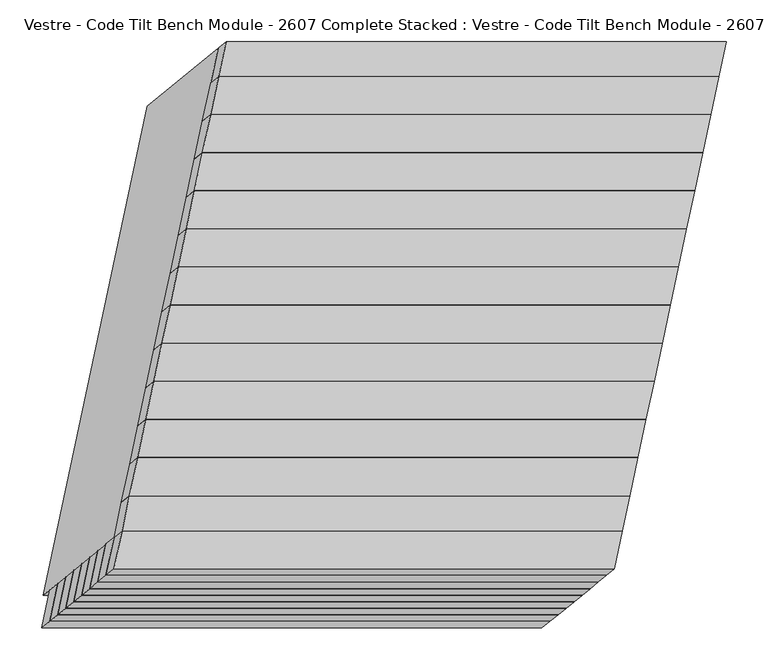
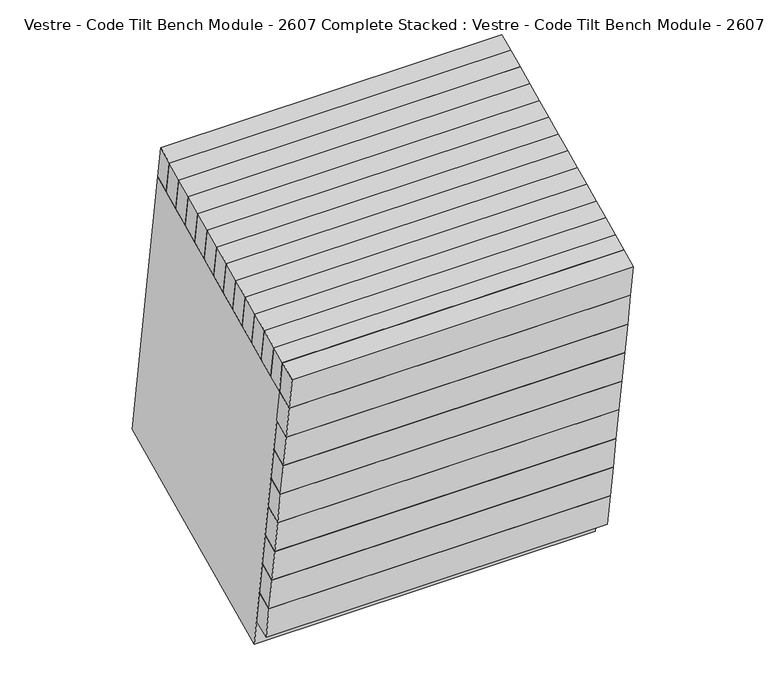
"""IFC4 building model written with IfcOpenShell, lengths in millimetres: furniture geometry, Vestre - Code Tilt Bench Module - 2607 Complete Stacked : Vestre - Code Tilt Bench Module - 2607 Complete Stacked."""

import ifcopenshell
import ifcopenshell.guid

model = None  # the IFC model being written
_history = None  # IfcOwnerHistory: only IFC2X3 demands one
_inside = {}  # id of a spatial element -> (the spatial element, [elements in it])
_under = {}  # id of a project, library or spatial element -> (it, [spatial elements below it])
_declared = {}  # id of a project -> (the project, [libraries it declares])
_typed = {}  # id of a type object -> (the type object, [elements of that type])
_made_of = {}  # id of a material, layer set ... -> (it, [elements and type objects made of it])


def new_model(schema):
    """Start an empty IFC model of exactly this schema.

    Asked for "IFC4X3", IfcOpenShell would pick the latest addendum, in which some entities
    have other attributes; the version numbers below select the first issue.
    IFC2X3 requires an IfcOwnerHistory on every rooted entity: one is made here for all.
    """
    global model, _history
    if schema == "IFC4X3":
        model = ifcopenshell.file(schema_version=(4, 3, 0, 0))
    else:
        model = ifcopenshell.file(schema=schema)
    _inside.clear()
    _under.clear()
    _declared.clear()
    _typed.clear()
    _made_of.clear()
    _history = None
    if model.schema == "IFC2X3":
        org = make("IfcOrganization", Name="unknown")
        user = make(
            "IfcPersonAndOrganization",
            ThePerson=make("IfcPerson", FamilyName="unknown"),
            TheOrganization=org,
        )
        app = make(
            "IfcApplication",
            ApplicationDeveloper=org,
            Version="unknown",
            ApplicationFullName="unknown",
            ApplicationIdentifier="unknown",
        )
        _history = make(
            "IfcOwnerHistory",
            OwningUser=user,
            OwningApplication=app,
            ChangeAction="ADDED",
            CreationDate=0,
        )
    return model


def make(cls, **values):
    """One entity of the class cls with the attributes given. An attribute that is None is left unset."""
    return model.create_entity(
        cls, **{name: value for name, value in values.items() if value is not None}
    )


def rooted(cls, **values):
    """An entity with a GlobalId (a new one), such as an element, a storey or a relation."""
    return make(cls, GlobalId=ifcopenshell.guid.new(), OwnerHistory=_history, **values)


def si_unit(unit_type, name, prefix=None):
    """IfcSIUnit, for example si_unit("LENGTHUNIT", "METRE", prefix="MILLI")."""
    return make("IfcSIUnit", UnitType=unit_type, Prefix=prefix, Name=name)


def assignment(units):
    """IfcUnitAssignment: the units of a project."""
    return None if units is None else make("IfcUnitAssignment", Units=units)


def point(xyz):
    """IfcCartesianPoint."""
    return None if xyz is None else make("IfcCartesianPoint", Coordinates=xyz)


def direction(xyz):
    """IfcDirection."""
    return None if xyz is None else make("IfcDirection", DirectionRatios=xyz)


def frame(location, z_axis=None, x_axis=None):
    """IfcAxis2Placement3D, a coordinate frame: its origin and axes. An axis left out is left unset."""
    return make(
        "IfcAxis2Placement3D",
        Location=point(location),
        Axis=direction(z_axis),
        RefDirection=direction(x_axis),
    )


def origin():
    """The frame at (0, 0, 0) with its axes left unset."""
    return frame((0.0, 0.0, 0.0))


def place(relative_to, where):
    """IfcLocalPlacement: puts the frame where relative to a parent placement (None: the world)."""
    return make(
        "IfcLocalPlacement", PlacementRelTo=relative_to, RelativePlacement=where
    )


def context(
    kind, dimensions, precision=None, world=None, true_north=None, identifier=None
):
    """IfcGeometricRepresentationContext, for example the 3D "Model" context."""
    return make(
        "IfcGeometricRepresentationContext",
        ContextIdentifier=identifier,
        ContextType=kind,
        CoordinateSpaceDimension=dimensions,
        Precision=precision,
        WorldCoordinateSystem=world,
        TrueNorth=true_north,
    )


def project(units=None, contexts=None):
    """IfcProject with its units and contexts."""
    return rooted(
        "IfcProject",
        Name="project",
        RepresentationContexts=contexts,
        UnitsInContext=assignment(units),
    )


def spatial(cls, under=None, at=None, **own):
    """A site, building, storey or space (cls), placed at a placement, below another one or the project."""
    s = rooted(cls, ObjectPlacement=at, **own)
    if under is not None:
        _under.setdefault(under.id(), (under, []))[1].append(s)
    return s


def faces_of(points, faces, orient=None, outer=None):
    """IfcFace entities. A face is a list of loops; a loop is a list of indices into points, from 0.

    orient and outer hold one flag for each loop. By default every Orientation is true, the
    first loop of a face is its IfcFaceOuterBound and the others are IfcFaceBound.
    """
    made = []
    for i, loops in enumerate(faces):
        bounds = []
        for j, loop in enumerate(loops):
            is_outer = j == 0 if outer is None else outer[i][j]
            bounds.append(
                make(
                    "IfcFaceOuterBound" if is_outer else "IfcFaceBound",
                    Bound=make("IfcPolyLoop", Polygon=[points[k] for k in loop]),
                    Orientation=True if orient is None else orient[i][j],
                )
            )
        made.append(make("IfcFace", Bounds=bounds))
    return made


def faceted_brep(points, faces, orient=None, outer=None, voids=None):
    """IfcFacetedBrep: a solid bounded by flat faces; with voids (closed shells), ...WithVoids."""
    shared = [point(p) for p in points]
    hull = make("IfcClosedShell", CfsFaces=faces_of(shared, faces, orient, outer))
    if voids is None:
        return make("IfcFacetedBrep", Outer=hull)
    return make(
        "IfcFacetedBrepWithVoids",
        Outer=hull,
        Voids=[
            make(cls, CfsFaces=faces_of(shared, fs, o, b)) for cls, fs, o, b in voids
        ],
    )


def shape(context_of_items, identifier, shape_type, items):
    """IfcShapeRepresentation: the items that make up one representation, for example the "Body"."""
    return make(
        "IfcShapeRepresentation",
        ContextOfItems=context_of_items,
        RepresentationIdentifier=identifier,
        RepresentationType=shape_type,
        Items=items,
    )


def source(mapping_origin, context_of_items, identifier, shape_type, items):
    """IfcRepresentationMap: a shape defined once, which mapped items show again and again."""
    return make(
        "IfcRepresentationMap",
        MappingOrigin=mapping_origin,
        MappedRepresentation=shape(context_of_items, identifier, shape_type, items),
    )


def transform(
    local_origin,
    x_axis=None,
    y_axis=None,
    z_axis=None,
    scale=None,
    scale2=None,
    scale3=None,
    uniform=True,
):
    """IfcCartesianTransformationOperator3D, or its non-uniform kind. x_axis, y_axis, z_axis: its Axis1, 2, 3."""
    if uniform:
        return make(
            "IfcCartesianTransformationOperator3D",
            Axis1=direction(x_axis),
            Axis2=direction(y_axis),
            LocalOrigin=point(local_origin),
            Scale=scale,
            Axis3=direction(z_axis),
        )
    return make(
        "IfcCartesianTransformationOperator3DnonUniform",
        Axis1=direction(x_axis),
        Axis2=direction(y_axis),
        LocalOrigin=point(local_origin),
        Scale=scale,
        Axis3=direction(z_axis),
        Scale2=scale2,
        Scale3=scale3,
    )


def mapped(mapping_source, mapping_target):
    """IfcMappedItem: shows the shape of a source again, moved by a transform."""
    return make(
        "IfcMappedItem", MappingSource=mapping_source, MappingTarget=mapping_target
    )


def made_of(thing, what):
    """Note that an element or type object is made of a material, layer set ...; save() writes the relation."""
    if what is not None:
        _made_of.setdefault(what.id(), (what, []))[1].append(thing)
    return thing


def element(
    cls,
    number,
    at=None,
    inside=None,
    cuts=None,
    type_object=None,
    material=None,
    context=None,
    identifier="Body",
    shape_type=None,
    held_by="IfcProductDefinitionShape",
    body=None,
    shapes=None,
    **own,
):
    """One element of the class cls, such as IfcWall. Its Tag is "e" and its number.

    at: its placement. inside: the storey or other place that contains it. cuts: it is an
    opening in that element (IfcRelVoidsElement). A single representation is given by context,
    identifier, shape_type and body (its items); several are given by shapes. held_by: the class
    of the entity that holds the representations. save() writes the other relations.
    """
    e = rooted(cls, Tag="e%d" % number, ObjectPlacement=at, **own)
    if body is not None:
        shapes = [shape(context, identifier, shape_type, body)]
    if shapes is not None:
        e.Representation = make(held_by, Representations=shapes)
    if inside is not None:
        _inside.setdefault(inside.id(), (inside, []))[1].append(e)
    if cuts is not None:
        rooted(
            "IfcRelVoidsElement", RelatingBuildingElement=cuts, RelatedOpeningElement=e
        )
    if type_object is not None:
        _typed.setdefault(type_object.id(), (type_object, []))[1].append(e)
    return made_of(e, material)


def aggregate(whole, parts):
    """IfcRelAggregates: a whole, such as a stair, and the parts it consists of."""
    return rooted("IfcRelAggregates", RelatingObject=whole, RelatedObjects=parts)


def save(model, path):
    """Write the relations noted so far, then the file.

    IfcRelAggregates (storeys below a building ...), IfcRelContainedInSpatialStructure (elements
    in a storey), IfcRelDefinesByType, IfcRelAssociatesMaterial and IfcRelDeclares: one each for
    every whole, place, type object, material and project.
    """
    for whole, parts in _under.values():
        aggregate(whole, parts)
    for where, things in _inside.values():
        rooted(
            "IfcRelContainedInSpatialStructure",
            RelatedElements=things,
            RelatingStructure=where,
        )
    for kind, things in _typed.values():
        rooted("IfcRelDefinesByType", RelatedObjects=things, RelatingType=kind)
    for what, things in _made_of.values():
        rooted("IfcRelAssociatesMaterial", RelatedObjects=things, RelatingMaterial=what)
    for by, libraries in _declared.values():
        rooted("IfcRelDeclares", RelatingContext=by, RelatedDefinitions=libraries)
    model.write(path)


def vestre_code_tilt_bench_module_2607_complete_stacked_vestre_59034a0b(model_context):
    return source(origin(), model_context, "Body", "Brep", [
        faceted_brep([(215.751229, -200.279193, 817.7590999), (225.5082596, -154.3759734, 817.7590999), (-374.4917404, -154.3759734, 817.7590999), (-384.248771, -200.279193, 817.7590999), (206.1097925, -208.1539076, 772.6919126), (-393.8902075, -208.1539076, 772.6919126), (-384.133177, -162.2506881, 772.6919126), (215.866823, -162.2506881, 772.6919126)], [[[0, 1, 2, 3]], [[4, 5, 6, 7]], [[5, 4, 0, 3]], [[6, 5, 3, 2]], [[7, 6, 2, 1]], [[4, 7, 1, 0]]]),
        faceted_brep([(244.0437897, -104.6578383, 862.9456861), (253.7680564, -58.9087607, 862.9456861), (-346.2319436, -58.9087607, 862.9456861), (-355.9562103, -104.6578383, 862.9456861), (234.3979186, -112.5534159, 817.7590999), (-365.6020814, -112.5534159, 817.7590999), (-355.8778148, -66.8043382, 817.7590999), (244.1221852, -66.8043382, 817.7590999)], [[[0, 1, 2, 3]], [[4, 5, 6, 7]], [[5, 4, 0, 3]], [[6, 5, 3, 2]], [[7, 6, 2, 1]], [[4, 7, 1, 0]]]),
        faceted_brep([(253.7680564, -58.9087607, 862.9456861), (263.492323, -13.159683, 862.9456861), (-336.507677, -13.159683, 862.9456861), (-346.2319436, -58.9087607, 862.9456861), (244.1221852, -66.8043382, 817.7590999), (-355.8778148, -66.8043382, 817.7590999), (-346.1535481, -21.0552605, 817.7590999), (253.8464519, -21.0552605, 817.7590999)], [[[0, 1, 2, 3]], [[4, 5, 6, 7]], [[5, 4, 0, 3]], [[6, 5, 3, 2]], [[7, 6, 2, 1]], [[4, 7, 1, 0]]]),
        faceted_brep([(263.492323, -13.159683, 862.9456861), (273.2165897, 32.5893947, 862.9456861), (-326.7834103, 32.5893947, 862.9456861), (-336.507677, -13.159683, 862.9456861), (253.8464519, -21.0552605, 817.7590999), (-346.1535481, -21.0552605, 817.7590999), (-336.4292815, 24.6938171, 817.7590999), (263.5707185, 24.6938171, 817.7590999)], [[[0, 1, 2, 3]], [[4, 5, 6, 7]], [[5, 4, 0, 3]], [[6, 5, 3, 2]], [[7, 6, 2, 1]], [[4, 7, 1, 0]]]),
        faceted_brep([(273.2165897, 32.5893947, 862.9456861), (282.9408563, 78.3384723, 862.9456861), (-317.0591437, 78.3384723, 862.9456861), (-326.7834103, 32.5893947, 862.9456861), (263.5707185, 24.6938171, 817.7590999), (-336.4292815, 24.6938171, 817.7590999), (-326.7050148, 70.4428948, 817.7590999), (273.2949852, 70.4428948, 817.7590999)], [[[0, 1, 2, 3]], [[4, 5, 6, 7]], [[5, 4, 0, 3]], [[6, 5, 3, 2]], [[7, 6, 2, 1]], [[4, 7, 1, 0]]]),
        faceted_brep([(282.9408563, 78.3384723, 862.9456861), (292.665123, 124.08755, 862.9456861), (-307.334877, 124.08755, 862.9456861), (-317.0591437, 78.3384723, 862.9456861), (273.2949852, 70.4428948, 817.7590999), (-326.7050148, 70.4428948, 817.7590999), (-316.9807482, 116.1919724, 817.7590999), (283.0192518, 116.1919724, 817.7590999)], [[[0, 1, 2, 3]], [[4, 5, 6, 7]], [[5, 4, 0, 3]], [[6, 5, 3, 2]], [[7, 6, 2, 1]], [[4, 7, 1, 0]]]),
        faceted_brep([(292.665123, 124.08755, 862.9456861), (302.3893896, 169.8366276, 862.9456861), (-297.6106104, 169.8366276, 862.9456861), (-307.334877, 124.08755, 862.9456861), (283.0192518, 116.1919724, 817.7590999), (-316.9807482, 116.1919724, 817.7590999), (-307.2564815, 161.9410501, 817.7590999), (292.7435185, 161.9410501, 817.7590999)], [[[0, 1, 2, 3]], [[4, 5, 6, 7]], [[5, 4, 0, 3]], [[6, 5, 3, 2]], [[7, 6, 2, 1]], [[4, 7, 1, 0]]]),
        faceted_brep([(302.3893896, 169.8366276, 862.9456861), (312.1136563, 215.5857053, 862.9456861), (-287.8863437, 215.5857053, 862.9456861), (-297.6106104, 169.8366276, 862.9456861), (292.7435185, 161.9410501, 817.7590999), (-307.2564815, 161.9410501, 817.7590999), (-297.5322149, 207.6901278, 817.7590999), (302.4677851, 207.6901278, 817.7590999)], [[[0, 1, 2, 3]], [[4, 5, 6, 7]], [[5, 4, 0, 3]], [[6, 5, 3, 2]], [[7, 6, 2, 1]], [[4, 7, 1, 0]]]),
        faceted_brep([(312.1136563, 215.5857053, 862.9456861), (321.8379229, 261.334783, 862.9456861), (-278.1620771, 261.334783, 862.9456861), (-287.8863437, 215.5857053, 862.9456861), (302.4677851, 207.6901278, 817.7590999), (-297.5322149, 207.6901278, 817.7590999), (-287.8079482, 253.4392054, 817.7590999), (312.1920518, 253.4392054, 817.7590999)], [[[0, 1, 2, 3]], [[4, 5, 6, 7]], [[5, 4, 0, 3]], [[6, 5, 3, 2]], [[7, 6, 2, 1]], [[4, 7, 1, 0]]]),
        faceted_brep([(321.8379229, 261.334783, 862.9456861), (331.5621895, 307.0838606, 862.9456861), (-268.4378105, 307.0838606, 862.9456861), (-278.1620771, 261.334783, 862.9456861), (312.1920518, 253.4392054, 817.7590999), (-287.8079482, 253.4392054, 817.7590999), (-278.0836816, 299.1882831, 817.7590999), (321.9163184, 299.1882831, 817.7590999)], [[[0, 1, 2, 3]], [[4, 5, 6, 7]], [[5, 4, 0, 3]], [[6, 5, 3, 2]], [[7, 6, 2, 1]], [[4, 7, 1, 0]]]),
        faceted_brep([(331.5621895, 307.0838606, 862.9456861), (341.2864562, 352.8329383, 862.9456861), (-258.7135438, 352.8329383, 862.9456861), (-268.4378105, 307.0838606, 862.9456861), (321.9163184, 299.1882831, 817.7590999), (-278.0836816, 299.1882831, 817.7590999), (-268.3594149, 344.9373608, 817.7590999), (331.6405851, 344.9373608, 817.7590999)], [[[0, 1, 2, 3]], [[4, 5, 6, 7]], [[5, 4, 0, 3]], [[6, 5, 3, 2]], [[7, 6, 2, 1]], [[4, 7, 1, 0]]]),
        faceted_brep([(341.2864562, 352.8329383, 862.9456861), (351.0107228, 398.5820159, 862.9456861), (-248.9892772, 398.5820159, 862.9456861), (-258.7135438, 352.8329383, 862.9456861), (331.6405851, 344.9373608, 817.7590999), (-268.3594149, 344.9373608, 817.7590999), (-258.6351483, 390.6864384, 817.7590999), (341.3648517, 390.6864384, 817.7590999)], [[[0, 1, 2, 3]], [[4, 5, 6, 7]], [[5, 4, 0, 3]], [[6, 5, 3, 2]], [[7, 6, 2, 1]], [[4, 7, 1, 0]]]),
        faceted_brep([(235.1533674, -146.4839869, 862.9456861), (244.0437897, -104.6578383, 862.9456861), (-355.9562103, -104.6578383, 862.9456861), (-364.8466326, -146.4839869, 862.9456861), (225.5082596, -154.3759734, 817.7590999), (-374.4917404, -154.3759734, 817.7590999), (-365.6020814, -112.5534159, 817.7590999), (234.3979186, -112.5534159, 817.7590999)], [[[0, 1, 2, 3]], [[4, 5, 6, 7]], [[5, 4, 0, 3]], [[6, 5, 3, 2]], [[7, 6, 2, 1]], [[4, 7, 1, 0]]]),
        faceted_brep([(-249.744726, 432.512587, 817.7590999), (-374.4917404, -154.3759734, 817.7590999), (225.5082596, -154.3759734, 817.7590999), (350.255274, 432.512587, 817.7590999), (-208.6618234, 381.7550373, 817.7590999), (287.594671, 381.7550373, 817.7590999), (181.9894462, -115.0784827, 817.7590999), (-314.2670481, -115.0784827, 817.7590999), (-334.6932278, 362.9784336, 419.8134138), (265.3067722, 362.9784336, 419.8134138), (140.5597577, -223.9101268, 419.8134138), (-459.4402423, -223.9101268, 419.8134138), (202.6461691, 312.2208839, 419.8134138), (-293.6103253, 312.2208839, 419.8134138), (-397.172905, -175.0027468, 419.8134138), (99.0835894, -175.0027468, 419.8134138), (-334.09591, -162.2506881, 772.6919126), (171.9626845, -162.2506881, 772.6919126), (100.3471348, -215.1734882, 469.8134138), (-405.7114596, -215.1734882, 469.8134138), (-212.211096, 378.8497987, 801.1323473), (284.0453984, 378.8497987, 801.1323473), (206.7306515, 315.5642157, 438.9473846), (-289.5258429, 315.5642157, 438.9473846), (178.5255183, -117.5822061, 801.1323473), (103.0698576, -172.1214764, 438.9473846), (-317.730976, -117.5822061, 801.1323473), (-393.1866367, -172.1214764, 438.9473846), (-330.8611911, -147.0325322, 772.6919126), (175.1974034, -147.0325322, 772.6919126), (104.5597422, -195.3547287, 469.8134138), (-401.4988523, -195.3547287, 469.8134138), (-224.6981062, 402.504945, 801.1323473), (317.142409, 402.504945, 801.1323473), (201.2990829, -142.495055, 801.1323473), (-340.5414324, -142.495055, 801.1323473), (-322.5535579, 342.4122939, 438.9473846), (-437.9061944, -200.279193, 438.9473846), (131.2549878, -200.279193, 438.9473846), (246.6076242, 342.4122939, 438.9473846)], [[[0, 1, 2, 3], [4, 5, 6, 7]], [[8, 9, 10, 11], [12, 13, 14, 15]], [[0, 3, 9, 8]], [[3, 2, 10, 9]], [[2, 1, 11, 10], [16, 17, 18, 19]], [[1, 0, 8, 11]], [[5, 4, 20, 21]], [[13, 12, 22, 23]], [[6, 5, 21, 24]], [[12, 15, 25, 22]], [[7, 6, 24, 26]], [[15, 14, 27, 25]], [[4, 7, 26, 20]], [[14, 13, 23, 27]], [[17, 16, 28, 29]], [[19, 18, 30, 31]], [[18, 17, 29, 30]], [[16, 19, 31, 28]], [[32, 33, 34, 35], [21, 20, 26, 24]], [[36, 37, 38, 39], [23, 22, 25, 27]], [[33, 32, 36, 39]], [[34, 33, 39, 38]], [[35, 34, 38, 37], [29, 28, 31, 30]], [[32, 35, 37, 36]]]),
        faceted_brep([(148.4085458, -255.4021953, 502.2887889), (158.1655763, -209.4989758, 502.2887889), (-441.8344237, -209.4989758, 502.2887889), (-451.5914542, -255.4021953, 502.2887889), (138.7671092, -263.2769099, 457.2216016), (-461.2328908, -263.2769099, 457.2216016), (-451.4758603, -217.3736904, 457.2216016), (148.5241397, -217.3736904, 457.2216016)], [[[0, 1, 2, 3]], [[4, 5, 6, 7]], [[5, 4, 0, 3]], [[6, 5, 3, 2]], [[7, 6, 2, 1]], [[4, 7, 1, 0]]]),
        faceted_brep([(158.0499823, -247.5274807, 547.3559762), (167.8070128, -201.6242612, 547.3559762), (-432.1929872, -201.6242612, 547.3559762), (-441.9500177, -247.5274807, 547.3559762), (148.4085458, -255.4021953, 502.2887889), (-451.5914542, -255.4021953, 502.2887889), (-441.8344237, -209.4989758, 502.2887889), (158.1655763, -209.4989758, 502.2887889)], [[[0, 1, 2, 3]], [[4, 5, 6, 7]], [[5, 4, 0, 3]], [[6, 5, 3, 2]], [[7, 6, 2, 1]], [[4, 7, 1, 0]]]),
        faceted_brep([(167.6703657, -239.6527661, 592.4231635), (177.4273962, -193.7495465, 592.4231635), (-422.5726038, -193.7495465, 592.4231635), (-432.3296343, -239.6527661, 592.4231635), (158.0289291, -247.5274807, 547.3559762), (-441.9710709, -247.5274807, 547.3559762), (-432.2140404, -201.6242612, 547.3559762), (167.7859596, -201.6242612, 547.3559762)], [[[0, 1, 2, 3]], [[4, 5, 6, 7]], [[5, 4, 0, 3]], [[6, 5, 3, 2]], [[7, 6, 2, 1]], [[4, 7, 1, 0]]]),
        faceted_brep([(177.290749, -231.7780515, 637.4903508), (187.0477795, -185.8748319, 637.4903508), (-412.9522205, -185.8748319, 637.4903508), (-422.709251, -231.7780515, 637.4903508), (167.6493124, -239.6527661, 592.4231635), (-432.3506876, -239.6527661, 592.4231635), (-422.5936571, -193.7495465, 592.4231635), (177.4063429, -193.7495465, 592.4231635)], [[[0, 1, 2, 3]], [[4, 5, 6, 7]], [[5, 4, 0, 3]], [[6, 5, 3, 2]], [[7, 6, 2, 1]], [[4, 7, 1, 0]]]),
        faceted_brep([(186.9111323, -223.9033368, 682.557538), (196.6681628, -178.0001173, 682.557538), (-403.3318372, -178.0001173, 682.557538), (-413.0888677, -223.9033368, 682.557538), (177.2696957, -231.7780515, 637.4903508), (-422.7303043, -231.7780515, 637.4903508), (-412.9732738, -185.8748319, 637.4903508), (187.0267262, -185.8748319, 637.4903508)], [[[0, 1, 2, 3]], [[4, 5, 6, 7]], [[5, 4, 0, 3]], [[6, 5, 3, 2]], [[7, 6, 2, 1]], [[4, 7, 1, 0]]]),
        faceted_brep([(196.5315156, -216.0286222, 727.6247253), (206.2885462, -170.1254027, 727.6247253), (-393.7114538, -170.1254027, 727.6247253), (-403.4684844, -216.0286222, 727.6247253), (186.8900791, -223.9033368, 682.557538), (-413.1099209, -223.9033368, 682.557538), (-403.3528904, -178.0001173, 682.557538), (196.6471096, -178.0001173, 682.557538)], [[[0, 1, 2, 3]], [[4, 5, 6, 7]], [[5, 4, 0, 3]], [[6, 5, 3, 2]], [[7, 6, 2, 1]], [[4, 7, 1, 0]]]),
        faceted_brep([(206.1097925, -208.1539076, 772.6919126), (215.866823, -162.2506881, 772.6919126), (-384.133177, -162.2506881, 772.6919126), (-393.8902075, -208.1539076, 772.6919126), (196.4683559, -216.0286222, 727.6247253), (-403.5316441, -216.0286222, 727.6247253), (-393.7746136, -170.1254027, 727.6247253), (206.2253864, -170.1254027, 727.6247253)], [[[0, 1, 2, 3]], [[4, 5, 6, 7]], [[5, 4, 0, 3]], [[6, 5, 3, 2]], [[7, 6, 2, 1]], [[4, 7, 1, 0]]]),
        faceted_brep([(351.0107228, 398.5820159, 862.9456861), (359.9011452, 440.4081645, 862.9456861), (-240.0988548, 440.4081645, 862.9456861), (-248.9892772, 398.5820159, 862.9456861), (341.3648517, 390.6864384, 817.7590999), (-258.6351483, 390.6864384, 817.7590999), (-249.744726, 432.512587, 817.7590999), (350.255274, 432.512587, 817.7590999)], [[[0, 1, 2, 3]], [[4, 5, 6, 7]], [[5, 4, 0, 3]], [[6, 5, 3, 2]], [[7, 6, 2, 1]], [[4, 7, 1, 0]]]),
        faceted_brep([(225.3971002, -192.3836154, 862.9456861), (235.1533674, -146.4839869, 862.9456861), (-364.8466326, -146.4839869, 862.9456861), (-374.6028998, -192.3836154, 862.9456861), (215.751229, -200.279193, 817.7590999), (-384.248771, -200.279193, 817.7590999), (-374.4917404, -154.3759734, 817.7590999), (225.5082596, -154.3759734, 817.7590999)], [[[0, 1, 2, 3]], [[4, 5, 6, 7]], [[5, 4, 0, 3]], [[6, 5, 3, 2]], [[7, 6, 2, 1]], [[4, 7, 1, 0]]]),
    ])


if __name__ == "__main__":
    model = new_model("IFC4")
    model_context = context("Model", 3, world=origin())
    ifc_project = project(units=[si_unit("LENGTHUNIT", "METRE", prefix="MILLI")], contexts=[model_context])
    site = spatial("IfcSite", under=ifc_project)
    building = spatial("IfcBuilding", under=site)
    placement = place(None, origin())
    vestre_code_tilt_bench_module_2607_complete_stacked_vestre_shape = vestre_code_tilt_bench_module_2607_complete_stacked_vestre_59034a0b(model_context)
    element("IfcFurniture", 1, ObjectType="Vestre - Code Tilt Bench Module - 2607 Complete Stacked : Vestre - Code Tilt Bench Module - 2607 Complete Stacked", at=placement, inside=building, context=model_context, shape_type="MappedRepresentation", body=[
        mapped(vestre_code_tilt_bench_module_2607_complete_stacked_vestre_shape, transform((0.0, 0.0, 0.0), x_axis=(1.0, 0.0, 0.0), y_axis=(0.0, 1.0, 0.0), z_axis=(0.0, 0.0, 1.0))),
    ])
    save(model, "model.ifc")
